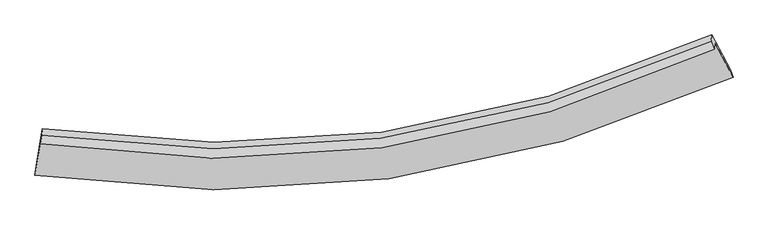
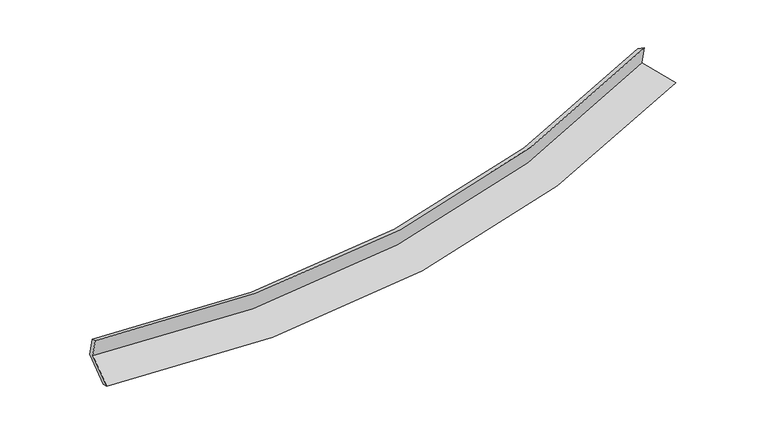
"""IFC4 building model written with IfcOpenShell, lengths in millimetres: proxy geometry."""

from ifc_helpers import new_model, si_unit, frame, origin, place, context, project, spatial, source, transform, mapped, element, save
from ifc_brep_helpers import plane_surface, spline_curve, spline_surface, advanced_brep


def generic_models_bdf46d7e(model_context):
    return source(origin(), model_context, "Body", "AdvancedBrep", [
        advanced_brep(
        [(-5717.1522988, -1988.863557, 1538.2959318), (-5821.6100759, -2629.4226685, 1348.5568601), (5913.3047766, -978.6167225, 2323.0598261), (5608.2768116, -400.990871, 2478.0098638), (-5732.1042438, -2095.9220179, 1907.9568503), (5593.1384387, -509.3841867, 2852.2798873), (-5709.0106271, -1950.0275864, 1839.426259), (5543.3357338, -373.7997967, 2767.1884316), (-5694.0586821, -1842.9691255, 1469.7653405), (5558.1300527, -267.8699654, 2401.4245451), (-5796.1501018, -2469.0171892, 1284.3245649), (5863.1580177, -845.495817, 2246.4745073)],
        [
            (0, 1),
            (1, 2, spline_curve(3, [(-5821.6100759, -2629.4226685, 1348.5568601), (-3794.619190898, -2931.303730805, 1367.733202589), (-1813.113790961, -2949.187614549, 1456.915671053), (2100.498920348, -2411.246674579, 1778.711177809), (4030.631805044, -1843.094142382, 2014.363030655), (5913.3047766, -978.6167225, 2323.0598261)], [4, 2, 4], [0.0, 19.18310261482041, 38.778131193243])),
            (2, 3),
            (3, 0, spline_curve(3, [(5608.2768116, -400.990871, 2478.0098638), (3792.121628955, -1243.423732849, 2178.387944117), (1929.74697389, -1795.314622752, 1950.186333615), (-1847.318885379, -2312.518389613, 1639.919584652), (-3760.087267474, -2289.918395402, 1554.883217253), (-5717.1522988, -1988.863557, 1538.2959318)], [4, 2, 4], [0.0, 19.59502857842259, 38.778131193243])),
            (4, 0),
            (3, 5),
            (5, 4, spline_curve(3, [(5593.1384387, -509.3841867, 2852.2798873), (3776.85838787, -1352.711123564, 2555.745108232), (1914.437830299, -1904.930688274, 2328.678376422), (-1862.562601994, -2421.665982109, 2016.794040877), (-3775.222937621, -2398.292361026, 1929.086426814), (-5732.1042438, -2095.9220179, 1907.9568503)], [4, 2, 4], [0.0, 19.24998022329017, 38.09528807669497])),
            (6, 4),
            (5, 7),
            (7, 6, spline_curve(3, [(5543.3357338, -373.7997967, 2767.1884316), (3737.732561996, -1203.623613365, 2468.972268451), (1886.798171979, -1748.285816898, 2242.483323), (-1865.869817947, -2261.831785722, 1936.213260918), (-3765.71754809, -2242.578845738, 1853.448149099), (-5709.0106271, -1950.0275864, 1839.426259)], [4, 2, 4], [0.0, 19.18488488693257, 37.96646583572499])),
            (8, 6),
            (7, 9),
            (9, 8, spline_curve(3, [(5558.1300527, -267.8699654, 2401.4245451), (3752.702569288, -1096.435821967, 2098.864786379), (1901.868506559, -1640.379665387, 1869.89542467), (-1850.75007636, -2153.571873505, 1562.403863983), (-3750.645591955, -2134.66108278, 1480.820158062), (-5694.0586821, -1842.9691255, 1469.7653405)], [4, 2, 4], [0.0, 19.11972036561738, 37.83750667924343])),
            (10, 8),
            (9, 11),
            (11, 10, spline_curve(3, [(5863.1580177, -845.495817, 2246.4745073), (3994.197455049, -1719.483737405, 1928.190177686), (2077.283072869, -2290.018730645, 1688.846884577), (-1811.147941477, -2818.568271495, 1371.414342895), (-3780.669599767, -2789.207069404, 1290.040987899), (-5796.1501018, -2469.0171892, 1284.3245649)], [4, 2, 4], [0.0, 19.47104155174375, 38.532763590558986])),
            (1, 10),
            (11, 2),
        ],
        [
            spline_surface(3, 3, [[(-5717.1522988, -1988.863557, 1538.2959318), (-3760.087267306, -2289.918395603, 1554.883217129), (-1847.318885443, -2312.518389871, 1639.919584429), (1929.746973956, -1795.314622488, 1950.186333842), (3792.121628927, -1243.423732908, 2178.387943838), (5608.2768116, -400.990871, 2478.0098638)], [(-5751.971557827, -2202.383260843, 1475.049574568), (-3771.597908508, -2503.713507303, 1492.499878989), (-1835.917187342, -2524.741464746, 1578.918280078), (1986.66428945, -2000.625306539, 1893.027948391), (3871.625020908, -1443.313869343, 2123.712972813), (5709.952799946, -593.532821524, 2426.359851214)], [(-5786.790816873, -2415.902964657, 1411.803217332), (-3783.108549731, -2717.508618976, 1430.116540844), (-1824.515489195, -2736.964539618, 1517.916975722), (2043.581604989, -2205.935990585, 1835.869562935), (3951.128412849, -1643.204005706, 2069.038001846), (5811.628788254, -786.074771976, 2374.709838686)], [(-5821.6100759, -2629.4226685, 1348.5568601), (-3794.619190933, -2931.303730676, 1367.733202704), (-1813.113791093, -2949.187614494, 1456.915671371), (2100.498920483, -2411.246674635, 1778.711177483), (4030.63180483, -1843.094142141, 2014.363030821), (5913.3047766, -978.6167225, 2323.0598261)]], [4, 4], [4, 2, 4], [0.0, 2.1617364924906077], [0.0, 19.18310261482041, 38.778131193243]),
            spline_surface(3, 3, [[(-5732.1042438, -2095.9220179, 1907.9568503), (-3775.222937678, -2398.292361309, 1929.086426925), (-1862.562601703, -2421.665982186, 2016.794040772), (1914.437830001, -1904.930688196, 2328.67837653), (3776.85838818, -1352.711123561, 2555.74510838), (5593.1384387, -509.3841867, 2852.2798873)], [(-5727.120262137, -2060.235864273, 1784.736544129), (-3770.177714224, -2362.16770608, 1804.352023656), (-1857.481362964, -2385.283451408, 1891.16922201), (1919.540877972, -1868.39199962, 2202.51436232), (3781.946135069, -1316.281993326, 2429.959386895), (5598.184562973, -473.25308145, 2727.523212829)], [(-5722.136280463, -2024.549710627, 1661.516237971), (-3765.13249076, -2326.043050832, 1679.617620399), (-1852.400124183, -2348.900920648, 1765.544403191), (1924.643925985, -1831.853311064, 2076.350348052), (3787.033882038, -1279.852863142, 2304.173665323), (5603.230687327, -437.12197625, 2602.766538271)], [(-5717.1522988, -1988.863557, 1538.2959318), (-3760.087267306, -2289.918395603, 1554.883217129), (-1847.318885443, -2312.518389871, 1639.919584429), (1929.746973956, -1795.314622488, 1950.186333842), (3792.121628927, -1243.423732908, 2178.387943838), (5608.2768116, -400.990871, 2478.0098638)]], [4, 4], [4, 2, 4], [0.0, 1.2910676093503606], [0.0, 18.8453078534048, 38.09528807669497]),
            spline_surface(3, 3, [[(-5709.0106271, -1950.0275864, 1839.426259), (-3765.717548377, -2242.578845493, 1853.448149341), (-1865.869817852, -2261.831785812, 1936.213261141), (1886.798171882, -1748.285816807, 2242.483322771), (3737.732561683, -1203.623613283, 2468.972268513), (5543.3357338, -373.7997967, 2767.1884316)], [(-5716.70849933, -1998.659063547, 1862.269789429), (-3768.886011474, -2294.483350745, 1878.660908532), (-1864.76741244, -2315.109851287, 1963.073521024), (1896.011391284, -1800.500773954, 2271.215007363), (3750.774503872, -1253.319450049, 2497.896548453), (5559.936635456, -418.994593373, 2795.552250151)], [(-5724.40637157, -2047.290540753, 1885.113319871), (-3772.054474581, -2346.387856057, 1903.873667735), (-1863.665007115, -2368.38791671, 1989.933780889), (1905.224610599, -1852.715731048, 2299.946691938), (3763.816445991, -1303.015286795, 2526.820828439), (5576.537537044, -464.189390027, 2823.916068749)], [(-5732.1042438, -2095.9220179, 1907.9568503), (-3775.222937678, -2398.292361309, 1929.086426925), (-1862.562601703, -2421.665982186, 2016.794040772), (1914.437830001, -1904.930688196, 2328.67837653), (3776.85838818, -1352.711123561, 2555.74510838), (5593.1384387, -509.3841867, 2852.2798873)]], [4, 4], [4, 2, 4], [0.0, 0.5890844628440455], [0.0, 18.78158094879242, 37.96646583572499]),
            spline_surface(3, 3, [[(-5694.0586821, -1842.9691255, 1469.7653405), (-3750.645592018, -2134.661082914, 1480.820158035), (-1850.750076344, -2153.571873245, 1562.403864169), (1901.868506543, -1640.379665652, 1869.895424479), (3752.702569159, -1096.435821996, 2098.864786556), (5558.1300527, -267.8699654, 2401.4245451)], [(-5699.042663763, -1878.655279127, 1592.985646671), (-3755.669577468, -2170.633670434, 1605.029488475), (-1855.789990185, -2189.658510751, 1687.006996481), (1896.84506165, -1676.348382687, 1994.091390564), (3747.712566669, -1132.165085759, 2222.233947214), (5553.198613069, -303.179909167, 2523.345840606)], [(-5704.026645437, -1914.341432773, 1716.205952829), (-3760.693562927, -2206.606257973, 1729.238818902), (-1860.829904011, -2225.745148306, 1811.610128829), (1891.821616774, -1712.317099772, 2118.287356686), (3742.722564172, -1167.894349521, 2345.603107855), (5548.267173431, -338.489852933, 2645.267136094)], [(-5709.0106271, -1950.0275864, 1839.426259), (-3765.717548377, -2242.578845493, 1853.448149341), (-1865.869817852, -2261.831785812, 1936.213261141), (1886.798171882, -1748.285816807, 2242.483322771), (3737.732561683, -1203.623613283, 2468.972268513), (5543.3357338, -373.7997967, 2767.1884316)]], [4, 4], [4, 2, 4], [0.0, 1.2756351864106346], [0.0, 18.717786313626053, 37.83750667924343]),
            spline_surface(3, 3, [[(-5796.1501018, -2469.0171892, 1284.3245649), (-3780.669599759, -2789.207069447, 1290.040988034), (-1811.147941669, -2818.568271667, 1371.414342622), (2077.283073065, -2290.018730469, 1688.846884856), (3994.197454824, -1719.483737572, 1928.190177735), (5863.1580177, -845.495817, 2246.4745073)], [(-5762.119628577, -2260.334501302, 1346.138156757), (-3770.661597189, -2571.025073938, 1353.634044692), (-1824.348653245, -2596.902805539, 1435.077516472), (2018.811550872, -2073.472375543, 1749.196398065), (3913.699159589, -1511.801099055, 1985.081713995), (5761.482029354, -652.953866476, 2298.124519886)], [(-5728.089155323, -2051.651813398, 1407.951748643), (-3760.653594588, -2352.843078423, 1417.227101377), (-1837.549364767, -2375.237339373, 1498.740690319), (1960.340028735, -1856.926020579, 1809.54591127), (3833.200864394, -1304.118460512, 2041.973250297), (5659.806041046, -460.411915924, 2349.774532514)], [(-5694.0586821, -1842.9691255, 1469.7653405), (-3750.645592018, -2134.661082914, 1480.820158035), (-1850.750076344, -2153.571873245, 1562.403864169), (1901.868506543, -1640.379665652, 1869.895424479), (3752.702569159, -1096.435821996, 2098.864786556), (5558.1300527, -267.8699654, 2401.4245451)]], [4, 4], [4, 2, 4], [0.0, 2.2689498594493998], [0.0, 19.061722038815237, 38.532763590558986]),
            spline_surface(3, 3, [[(-5821.6100759, -2629.4226685, 1348.5568601), (-3794.619190933, -2931.303730676, 1367.733202704), (-1813.113791093, -2949.187614494, 1456.915671371), (2100.498920483, -2411.246674635, 1778.711177483), (4030.63180483, -1843.094142141, 2014.363030821), (5913.3047766, -978.6167225, 2323.0598261)], [(-5813.123417867, -2575.954175409, 1327.146095045), (-3789.969327209, -2883.938176942, 1341.835797826), (-1812.458507928, -2905.647833542, 1428.41522844), (2092.760304701, -2370.837359904, 1748.756413259), (4018.487021496, -1801.890673928, 1985.638746473), (5896.589190301, -934.24308731, 2297.531386514)], [(-5804.636759833, -2522.485682291, 1305.735329955), (-3785.319463483, -2836.572623181, 1315.938392912), (-1811.803224834, -2862.108052618, 1399.914785554), (2085.021688847, -2330.4280452, 1718.801649081), (4006.342238159, -1760.687205785, 1956.914462084), (5879.873603999, -889.86945219, 2272.002946886)], [(-5796.1501018, -2469.0171892, 1284.3245649), (-3780.669599759, -2789.207069447, 1290.040988034), (-1811.147941669, -2818.568271667, 1371.414342622), (2077.283073065, -2290.018730469, 1688.846884856), (3994.197454824, -1719.483737572, 1928.190177735), (5863.1580177, -845.495817, 2246.4745073)]], [4, 4], [4, 2, 4], [0.0, 0.5045133451592337], [0.0, 19.463306540479934, 39.344555968643625]),
            plane_surface(frame((5679.8906385, -562.6928932, 2511.4061769), z_axis=(0.8899748979885195, 0.42713068794109643, 0.15969989470657248), x_axis=(-0.03882191390630831, -0.2779714849123553, 0.9598045178974057))),
            plane_surface(frame((-5745.0143382, -2162.7036908, 1564.7209678), z_axis=(-0.9872327857880454, 0.15916476353250003, 0.006164796413412818), x_axis=(0.1544806967417829, 0.947311158820185, 0.2806016441664795))),
        ],
        [
            (0, [[1, 2, 3, 4]]),
            (1, [[5, -4, 6, 7]]),
            (2, [[8, -7, 9, 10]]),
            (3, [[11, -10, 12, 13]]),
            (4, [[14, -13, 15, 16]]),
            (5, [[17, -16, 18, -2]]),
            (6, [[-12, -9, -6, -3, -18, -15]]),
            (7, [[-1, -5, -8, -11, -14, -17]]),
        ],
    ),
    ])


if __name__ == "__main__":
    model = new_model("IFC4")
    model_context = context("Model", 3, world=origin())
    ifc_project = project(units=[si_unit("LENGTHUNIT", "METRE", prefix="MILLI")], contexts=[model_context])
    site = spatial("IfcSite", under=ifc_project)
    building = spatial("IfcBuilding", under=site)
    placement = place(None, origin())
    generic_models_shape = generic_models_bdf46d7e(model_context)
    element("IfcBuildingElementProxy", 1, Name="Generic Models", at=placement, inside=building, context=model_context, shape_type="MappedRepresentation", body=[
        mapped(generic_models_shape, transform((0.0, 0.0, 0.0), x_axis=(1.0, 0.0, 0.0), y_axis=(0.0, 1.0, 0.0), z_axis=(0.0, 0.0, 1.0))),
    ])
    save(model, "model.ifc")
